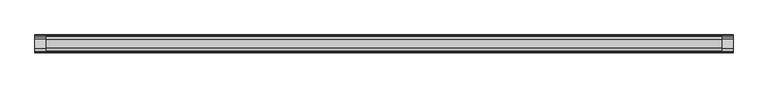
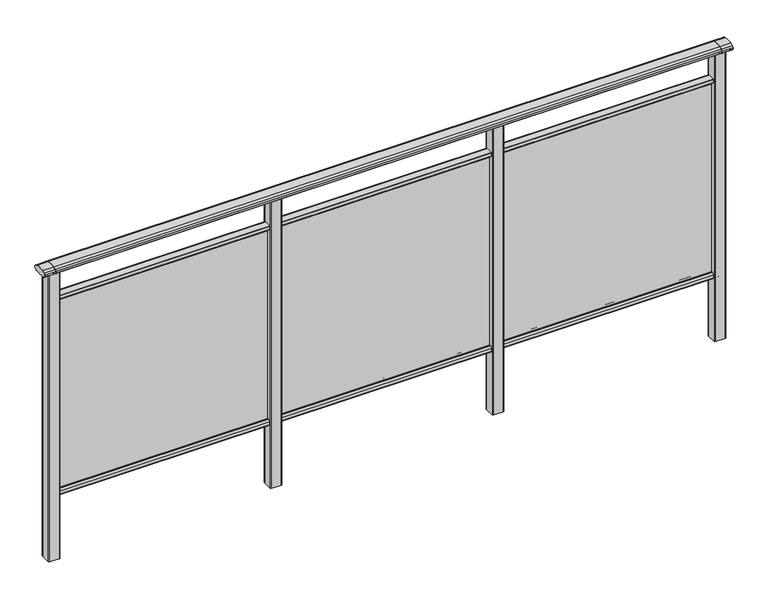
"""IFC4 building model written with IfcOpenShell, lengths in millimetres: railing geometry."""

from ifc_helpers import new_model, si_unit, point, frame, frame_2d, origin, place, context, project, spatial, polyline, circle_curve, trimmed, segment, composite_curve, outline, extrude, source, transform, mapped, element, save


def railing_b1e24724(model_context):
    return source(origin(), model_context, "Body", "SweptSolid", [
        extrude(outline(composite_curve([segment(trimmed(circle_curve(frame_2d((7270.3619413, 1153.851602)), 44.999996), [point((7281.0673858, 1197.5596459))], [point((7293.2601573, 1192.5901015))], False, "CARTESIAN"), True, "CONTINUOUS"), segment(trimmed(circle_curve(frame_2d((7284.6097194, 1177.955556)), 17.0), [point((7293.2601573, 1192.5901015))], [point((7299.1544589, 1186.7561556))], False, "CARTESIAN"), True, "CONTINUOUS"), segment(trimmed(circle_curve(frame_2d((7292.0959826, 1182.4852765)), 8.2499997), [point((7299.1544589, 1186.7561556))], [point((7299.1544535, 1178.2143885))], False, "CARTESIAN"), True, "CONTINUOUS"), segment(trimmed(circle_curve(frame_2d((7284.6097251, 1187.0150065)), 17.0), [point((7299.1544535, 1178.2143885))], [point((7293.2601665, 1172.380463))], False, "CARTESIAN"), True, "CONTINUOUS"), segment(trimmed(circle_curve(frame_2d((7270.3619413, 1211.1189571)), 44.999996), [point((7293.2601665, 1172.380463))], [point((7288.7876029, 1170.064181))], False, "CARTESIAN"), True, "CONTINUOUS"), segment(trimmed(circle_curve(frame_2d((7288.1786159, 1172.1635324)), 2.185896), [point((7288.7876029, 1170.064181))], [point((7287.9960148, 1169.9852766))], False, "CARTESIAN"), True, "CONTINUOUS"), segment(trimmed(circle_curve(frame_2d((7287.9960148, 1170.8852766)), 0.9), [point((7287.9960148, 1169.9852766))], [point((7287.0981091, 1170.8239135))], False, "CARTESIAN"), True, "CONTINUOUS"), segment(trimmed(circle_curve(frame_2d((7286.5194733, 1170.8239135)), 0.5786359), [point((7287.0981091, 1170.8239135))], [point((7286.5194733, 1170.2452777))], False, "CARTESIAN"), True, "CONTINUOUS"), segment(polyline([(7286.5194733, 1170.2452777), (7269.5751393, 1170.2452777)]), True, "CONTINUOUS"), segment(trimmed(circle_curve(frame_2d((7260.8508208, 1187.1238497)), 18.999998), [point((7269.5751393, 1170.2452777))], [point((7252.1265024, 1170.2452777))], False, "CARTESIAN"), True, "CONTINUOUS"), segment(polyline([(7252.1265024, 1170.2452777), (7235.1821348, 1170.2452777)]), True, "CONTINUOUS"), segment(trimmed(circle_curve(frame_2d((7235.1821348, 1170.8239135)), 0.5786359), [point((7235.1821348, 1170.2452777))], [point((7234.603499, 1170.8239135))], False, "CARTESIAN"), True, "CONTINUOUS"), segment(trimmed(circle_curve(frame_2d((7233.7055933, 1170.8852766)), 0.9), [point((7234.603499, 1170.8239135))], [point((7233.7055933, 1169.9852766))], False, "CARTESIAN"), True, "CONTINUOUS"), segment(trimmed(circle_curve(frame_2d((7233.5229922, 1172.1635324)), 2.185896), [point((7233.7055933, 1169.9852766))], [point((7232.9140052, 1170.064181))], False, "CARTESIAN"), True, "CONTINUOUS"), segment(trimmed(circle_curve(frame_2d((7251.3396668, 1211.1189571)), 44.999996), [point((7232.9140052, 1170.064181))], [point((7228.8767914, 1172.1264081))], False, "CARTESIAN"), True, "CONTINUOUS"), segment(trimmed(circle_curve(frame_2d((7237.082215, 1187.0150288)), 17.0), [point((7228.8767914, 1172.1264081))], [point((7222.5375128, 1178.2143675))], False, "CARTESIAN"), True, "CONTINUOUS"), segment(trimmed(circle_curve(frame_2d((7229.595971, 1182.4852765)), 8.2499997), [point((7222.5375128, 1178.2143675))], [point((7222.5375074, 1186.7561766))], False, "CARTESIAN"), True, "CONTINUOUS"), segment(trimmed(circle_curve(frame_2d((7237.0822207, 1177.9555337)), 17.0), [point((7222.5375074, 1186.7561766))], [point((7228.4317599, 1192.5900657))], False, "CARTESIAN"), True, "CONTINUOUS"), segment(trimmed(circle_curve(frame_2d((7251.3300365, 1153.851602)), 44.999996), [point((7228.4317599, 1192.5900657))], [point((7240.624592, 1197.5596459))], False, "CARTESIAN"), True, "CONTINUOUS"), segment(trimmed(circle_curve(frame_2d((7260.8459889, 1115.0000001)), 85.0), [point((7240.624592, 1197.5596459))], [point((7281.0673858, 1197.5596459))], False, "CARTESIAN"), True, "CONTINUOUS")], self_intersect=False)), frame((-428.6053075, 0.0, 0.0), z_axis=(1.0, 0.0, 0.0), x_axis=(0.0, 1.0, 0.0)), (0.0, 0.0, 1.0), 3000.0),
        extrude(outline(composite_curve([segment(polyline([(7276.5508136, 100.0), (7245.1507946, 100.0)]), True, "CONTINUOUS"), segment(trimmed(circle_curve(frame_2d((7245.1507946, 101.8)), 1.8), [point((7245.1507946, 100.0))], [point((7243.3507946, 101.8))], False, "CARTESIAN"), True, "CONTINUOUS"), segment(polyline([(7243.3507946, 101.8), (7243.3507946, 115.5269955)]), True, "CONTINUOUS"), segment(trimmed(circle_curve(frame_2d((7245.1507946, 115.5269955)), 1.8), [point((7243.3507946, 115.5269955))], [point((7243.7923399, 116.7079277))], False, "CARTESIAN"), True, "CONTINUOUS"), segment(polyline([(7243.7923399, 116.7079277), (7250.4626384, 124.3809322)]), True, "CONTINUOUS"), segment(trimmed(circle_curve(frame_2d((7251.8210931, 123.2)), 1.8), [point((7250.4626384, 124.3809322))], [point((7251.8210931, 125.0))], False, "CARTESIAN"), True, "CONTINUOUS"), segment(polyline([(7251.8210931, 125.0), (7255.5111113, 125.0), (7256.809143, 113.0), (7264.8924411, 113.0), (7266.1904978, 125.0), (7269.88054, 125.0)]), True, "CONTINUOUS"), segment(trimmed(circle_curve(frame_2d((7269.88054, 123.2)), 1.8), [point((7269.88054, 125.0))], [point((7271.2389969, 124.3809297))], False, "CARTESIAN"), True, "CONTINUOUS"), segment(polyline([(7271.2389969, 124.3809297), (7277.9092704, 116.7079252)]), True, "CONTINUOUS"), segment(trimmed(circle_curve(frame_2d((7276.5508136, 115.5269955)), 1.8), [point((7277.9092704, 116.7079252))], [point((7278.3508136, 115.5269955))], False, "CARTESIAN"), True, "CONTINUOUS"), segment(polyline([(7278.3508136, 115.5269955), (7278.3508136, 101.8)]), True, "CONTINUOUS"), segment(trimmed(circle_curve(frame_2d((7276.5508136, 101.8)), 1.8), [point((7278.3508136, 101.8))], [point((7276.5508136, 100.0))], False, "CARTESIAN"), True, "CONTINUOUS")], self_intersect=False)), frame((-428.6053075, 0.0, 0.0), z_axis=(1.0, 0.0, 0.0), x_axis=(0.0, 1.0, 0.0)), (0.0, 0.0, 1.0), 3000.0),
        extrude(outline(composite_curve([segment(polyline([(7245.1507946, 1050.0), (7276.5508136, 1050.0)]), True, "CONTINUOUS"), segment(trimmed(circle_curve(frame_2d((7276.5508136, 1048.2)), 1.8), [point((7276.5508136, 1050.0))], [point((7278.3508136, 1048.2))], False, "CARTESIAN"), True, "CONTINUOUS"), segment(polyline([(7278.3508136, 1048.2), (7278.3508136, 1034.4730045)]), True, "CONTINUOUS"), segment(trimmed(circle_curve(frame_2d((7276.5508136, 1034.4730045)), 1.8), [point((7278.3508136, 1034.4730045))], [point((7277.9092704, 1033.2920748))], False, "CARTESIAN"), True, "CONTINUOUS"), segment(polyline([(7277.9092704, 1033.2920748), (7271.2389969, 1025.6190703)]), True, "CONTINUOUS"), segment(trimmed(circle_curve(frame_2d((7269.88054, 1026.8)), 1.8), [point((7271.2389969, 1025.6190703))], [point((7269.88054, 1025.0))], False, "CARTESIAN"), True, "CONTINUOUS"), segment(polyline([(7269.88054, 1025.0), (7266.1904978, 1025.0), (7264.8924411, 1037.0), (7256.809143, 1037.0), (7255.5111113, 1025.0), (7251.8210931, 1025.0)]), True, "CONTINUOUS"), segment(trimmed(circle_curve(frame_2d((7251.8210931, 1026.8)), 1.8), [point((7251.8210931, 1025.0))], [point((7250.4626384, 1025.6190678))], False, "CARTESIAN"), True, "CONTINUOUS"), segment(polyline([(7250.4626384, 1025.6190678), (7243.7923399, 1033.2920723)]), True, "CONTINUOUS"), segment(trimmed(circle_curve(frame_2d((7245.1507946, 1034.4730045)), 1.8), [point((7243.7923399, 1033.2920723))], [point((7243.3507946, 1034.4730045))], False, "CARTESIAN"), True, "CONTINUOUS"), segment(polyline([(7243.3507946, 1034.4730045), (7243.3507946, 1048.2)]), True, "CONTINUOUS"), segment(trimmed(circle_curve(frame_2d((7245.1507946, 1048.2)), 1.8), [point((7243.3507946, 1048.2))], [point((7245.1507946, 1050.0))], False, "CARTESIAN"), True, "CONTINUOUS")], self_intersect=False)), frame((-428.6053075, 0.0, 0.0), z_axis=(1.0, 0.0, 0.0), x_axis=(0.0, 1.0, 0.0)), (0.0, 0.0, 1.0), 3000.0),
        extrude(outline(polyline([(-428.6053075, 7258.8508041), (-428.6053075, 7262.8508041), (2571.3946925, 7262.8508041), (2571.3946925, 7258.8508041), (-428.6053075, 7258.8508041)])), frame((0.0, 0.0, 100.0), z_axis=(0.0, 0.0, 1.0), x_axis=(1.0, 0.0, 0.0)), (0.0, 0.0, 1.0), 940.0),
        extrude(outline(composite_curve([segment(trimmed(circle_curve(frame_2d((1593.7947043, 7283.2508153)), 3.0), [point((1593.794704, 7286.2508153))], [point((1596.7947043, 7283.2508156))], False, "CARTESIAN"), True, "CONTINUOUS"), segment(polyline([(1596.7947043, 7283.2508156), (1596.7947083, 7238.4507926)]), True, "CONTINUOUS"), segment(trimmed(circle_curve(frame_2d((1593.7947083, 7238.4507923)), 3.0), [point((1596.7947083, 7238.4507926))], [point((1593.7947086, 7235.4507923))], False, "CARTESIAN"), True, "CONTINUOUS"), segment(polyline([(1593.7947086, 7235.4507923), (1548.9946856, 7235.4507883)]), True, "CONTINUOUS"), segment(trimmed(circle_curve(frame_2d((1548.9946853, 7238.4507883)), 3.0), [point((1548.9946856, 7235.4507883))], [point((1545.9946853, 7238.450788))], False, "CARTESIAN"), True, "CONTINUOUS"), segment(polyline([(1545.9946853, 7238.450788), (1545.9946813, 7283.250811)]), True, "CONTINUOUS"), segment(trimmed(circle_curve(frame_2d((1548.9946813, 7283.2508113)), 3.0), [point((1545.9946813, 7283.250811))], [point((1548.994681, 7286.2508113))], False, "CARTESIAN"), True, "CONTINUOUS"), segment(polyline([(1548.994681, 7286.2508113), (1593.794704, 7286.2508153)]), True, "CONTINUOUS")], self_intersect=False)), frame((0.0, 0.0, -198.0), z_axis=(0.0, 0.0, 1.0), x_axis=(1.0, 0.0, 0.0)), (0.0, 0.0, 1.0), 1366.1238517),
        extrude(outline(composite_curve([segment(trimmed(circle_curve(frame_2d((593.7947043, 7283.2508153)), 3.0), [point((593.794704, 7286.2508153))], [point((596.7947043, 7283.2508156))], False, "CARTESIAN"), True, "CONTINUOUS"), segment(polyline([(596.7947043, 7283.2508156), (596.7947083, 7238.4507926)]), True, "CONTINUOUS"), segment(trimmed(circle_curve(frame_2d((593.7947083, 7238.4507923)), 3.0), [point((596.7947083, 7238.4507926))], [point((593.7947086, 7235.4507923))], False, "CARTESIAN"), True, "CONTINUOUS"), segment(polyline([(593.7947086, 7235.4507923), (548.9946856, 7235.4507883)]), True, "CONTINUOUS"), segment(trimmed(circle_curve(frame_2d((548.9946853, 7238.4507883)), 3.0), [point((548.9946856, 7235.4507883))], [point((545.9946853, 7238.450788))], False, "CARTESIAN"), True, "CONTINUOUS"), segment(polyline([(545.9946853, 7238.450788), (545.9946813, 7283.250811)]), True, "CONTINUOUS"), segment(trimmed(circle_curve(frame_2d((548.9946813, 7283.2508113)), 3.0), [point((545.9946813, 7283.250811))], [point((548.994681, 7286.2508113))], False, "CARTESIAN"), True, "CONTINUOUS"), segment(polyline([(548.994681, 7286.2508113), (593.794704, 7286.2508153)]), True, "CONTINUOUS")], self_intersect=False)), frame((0.0, 0.0, -198.0), z_axis=(0.0, 0.0, 1.0), x_axis=(1.0, 0.0, 0.0)), (0.0, 0.0, 1.0), 1366.1238517),
        extrude(outline(composite_curve([segment(trimmed(circle_curve(frame_2d((2593.7947043, 7283.2508153)), 3.0), [point((2593.794704, 7286.2508153))], [point((2596.7947043, 7283.2508156))], False, "CARTESIAN"), True, "CONTINUOUS"), segment(polyline([(2596.7947043, 7283.2508156), (2596.7947083, 7238.4507926)]), True, "CONTINUOUS"), segment(trimmed(circle_curve(frame_2d((2593.7947083, 7238.4507923)), 3.0), [point((2596.7947083, 7238.4507926))], [point((2593.7947086, 7235.4507923))], False, "CARTESIAN"), True, "CONTINUOUS"), segment(polyline([(2593.7947086, 7235.4507923), (2548.9946856, 7235.4507883)]), True, "CONTINUOUS"), segment(trimmed(circle_curve(frame_2d((2548.9946853, 7238.4507883)), 3.0), [point((2548.9946856, 7235.4507883))], [point((2545.9946853, 7238.450788))], False, "CARTESIAN"), True, "CONTINUOUS"), segment(polyline([(2545.9946853, 7238.450788), (2545.9946813, 7283.250811)]), True, "CONTINUOUS"), segment(trimmed(circle_curve(frame_2d((2548.9946813, 7283.2508113)), 3.0), [point((2545.9946813, 7283.250811))], [point((2548.994681, 7286.2508113))], False, "CARTESIAN"), True, "CONTINUOUS"), segment(polyline([(2548.994681, 7286.2508113), (2593.794704, 7286.2508153)]), True, "CONTINUOUS")], self_intersect=False)), frame((0.0, 0.0, -198.0), z_axis=(0.0, 0.0, 1.0), x_axis=(1.0, 0.0, 0.0)), (0.0, 0.0, 1.0), 1366.1238517),
        extrude(outline(composite_curve([segment(trimmed(circle_curve(frame_2d((7270.3619413, 1153.851602)), 44.999996), [point((7281.0673858, 1197.5596459))], [point((7293.2601573, 1192.5901015))], False, "CARTESIAN"), True, "CONTINUOUS"), segment(trimmed(circle_curve(frame_2d((7284.6097194, 1177.955556)), 17.0), [point((7293.2601573, 1192.5901015))], [point((7299.1544589, 1186.7561556))], False, "CARTESIAN"), True, "CONTINUOUS"), segment(trimmed(circle_curve(frame_2d((7292.0959826, 1182.4852765)), 8.2499997), [point((7299.1544589, 1186.7561556))], [point((7299.1544535, 1178.2143885))], False, "CARTESIAN"), True, "CONTINUOUS"), segment(trimmed(circle_curve(frame_2d((7284.6097251, 1187.0150065)), 17.0), [point((7299.1544535, 1178.2143885))], [point((7293.2601665, 1172.380463))], False, "CARTESIAN"), True, "CONTINUOUS"), segment(trimmed(circle_curve(frame_2d((7270.3619413, 1211.1189571)), 44.999996), [point((7293.2601665, 1172.380463))], [point((7288.7876029, 1170.064181))], False, "CARTESIAN"), True, "CONTINUOUS"), segment(trimmed(circle_curve(frame_2d((7288.1786159, 1172.1635324)), 2.185896), [point((7288.7876029, 1170.064181))], [point((7287.9960148, 1169.9852766))], False, "CARTESIAN"), True, "CONTINUOUS"), segment(trimmed(circle_curve(frame_2d((7287.9960148, 1170.8852766)), 0.9), [point((7287.9960148, 1169.9852766))], [point((7287.0981091, 1170.8239135))], False, "CARTESIAN"), True, "CONTINUOUS"), segment(trimmed(circle_curve(frame_2d((7286.5194733, 1170.8239135)), 0.5786359), [point((7287.0981091, 1170.8239135))], [point((7286.5194733, 1170.2452777))], False, "CARTESIAN"), True, "CONTINUOUS"), segment(polyline([(7286.5194733, 1170.2452777), (7269.5751393, 1170.2452777)]), True, "CONTINUOUS"), segment(trimmed(circle_curve(frame_2d((7260.8508208, 1187.1238497)), 18.999998), [point((7269.5751393, 1170.2452777))], [point((7252.1265024, 1170.2452777))], False, "CARTESIAN"), True, "CONTINUOUS"), segment(polyline([(7252.1265024, 1170.2452777), (7235.1821348, 1170.2452777)]), True, "CONTINUOUS"), segment(trimmed(circle_curve(frame_2d((7235.1821348, 1170.8239135)), 0.5786359), [point((7235.1821348, 1170.2452777))], [point((7234.603499, 1170.8239135))], False, "CARTESIAN"), True, "CONTINUOUS"), segment(trimmed(circle_curve(frame_2d((7233.7055933, 1170.8852766)), 0.9), [point((7234.603499, 1170.8239135))], [point((7233.7055933, 1169.9852766))], False, "CARTESIAN"), True, "CONTINUOUS"), segment(trimmed(circle_curve(frame_2d((7233.5229922, 1172.1635324)), 2.185896), [point((7233.7055933, 1169.9852766))], [point((7232.9140052, 1170.064181))], False, "CARTESIAN"), True, "CONTINUOUS"), segment(trimmed(circle_curve(frame_2d((7251.3396668, 1211.1189571)), 44.999996), [point((7232.9140052, 1170.064181))], [point((7228.8767914, 1172.1264081))], False, "CARTESIAN"), True, "CONTINUOUS"), segment(trimmed(circle_curve(frame_2d((7237.082215, 1187.0150288)), 17.0), [point((7228.8767914, 1172.1264081))], [point((7222.5375128, 1178.2143675))], False, "CARTESIAN"), True, "CONTINUOUS"), segment(trimmed(circle_curve(frame_2d((7229.595971, 1182.4852765)), 8.2499997), [point((7222.5375128, 1178.2143675))], [point((7222.5375074, 1186.7561766))], False, "CARTESIAN"), True, "CONTINUOUS"), segment(trimmed(circle_curve(frame_2d((7237.0822207, 1177.9555337)), 17.0), [point((7222.5375074, 1186.7561766))], [point((7228.4317599, 1192.5900657))], False, "CARTESIAN"), True, "CONTINUOUS"), segment(trimmed(circle_curve(frame_2d((7251.3300365, 1153.851602)), 44.999996), [point((7228.4317599, 1192.5900657))], [point((7240.624592, 1197.5596459))], False, "CARTESIAN"), True, "CONTINUOUS"), segment(trimmed(circle_curve(frame_2d((7260.8459889, 1115.0000001)), 85.0), [point((7240.624592, 1197.5596459))], [point((7281.0673858, 1197.5596459))], False, "CARTESIAN"), True, "CONTINUOUS")], self_intersect=False)), frame((2571.3946838, 0.0, 0.0), z_axis=(1.0, 0.0, 0.0), x_axis=(0.0, 1.0, 0.0)), (0.0, 0.0, 1.0), 50.0),
        extrude(outline(composite_curve([segment(trimmed(circle_curve(frame_2d((-406.2052957, 7283.2508153)), 3.0), [point((-406.205296, 7286.2508153))], [point((-403.2052957, 7283.2508156))], False, "CARTESIAN"), True, "CONTINUOUS"), segment(polyline([(-403.2052957, 7283.2508156), (-403.2052917, 7238.4507926)]), True, "CONTINUOUS"), segment(trimmed(circle_curve(frame_2d((-406.2052917, 7238.4507923)), 3.0), [point((-403.2052917, 7238.4507926))], [point((-406.2052914, 7235.4507923))], False, "CARTESIAN"), True, "CONTINUOUS"), segment(polyline([(-406.2052914, 7235.4507923), (-451.0053144, 7235.4507883)]), True, "CONTINUOUS"), segment(trimmed(circle_curve(frame_2d((-451.0053147, 7238.4507883)), 3.0), [point((-451.0053144, 7235.4507883))], [point((-454.0053147, 7238.450788))], False, "CARTESIAN"), True, "CONTINUOUS"), segment(polyline([(-454.0053147, 7238.450788), (-454.0053187, 7283.250811)]), True, "CONTINUOUS"), segment(trimmed(circle_curve(frame_2d((-451.0053187, 7283.2508113)), 3.0), [point((-454.0053187, 7283.250811))], [point((-451.005319, 7286.2508113))], False, "CARTESIAN"), True, "CONTINUOUS"), segment(polyline([(-451.005319, 7286.2508113), (-406.205296, 7286.2508153)]), True, "CONTINUOUS")], self_intersect=False)), frame((0.0, 0.0, -198.0), z_axis=(0.0, 0.0, 1.0), x_axis=(1.0, 0.0, 0.0)), (0.0, 0.0, 1.0), 1366.1238517),
        extrude(outline(composite_curve([segment(trimmed(circle_curve(frame_2d((7270.3619413, 1153.851602)), 44.999996), [point((7281.0673858, 1197.5596459))], [point((7293.2601573, 1192.5901015))], False, "CARTESIAN"), True, "CONTINUOUS"), segment(trimmed(circle_curve(frame_2d((7284.6097194, 1177.955556)), 17.0), [point((7293.2601573, 1192.5901015))], [point((7299.1544589, 1186.7561556))], False, "CARTESIAN"), True, "CONTINUOUS"), segment(trimmed(circle_curve(frame_2d((7292.0959826, 1182.4852765)), 8.2499997), [point((7299.1544589, 1186.7561556))], [point((7299.1544535, 1178.2143885))], False, "CARTESIAN"), True, "CONTINUOUS"), segment(trimmed(circle_curve(frame_2d((7284.6097251, 1187.0150065)), 17.0), [point((7299.1544535, 1178.2143885))], [point((7293.2601665, 1172.380463))], False, "CARTESIAN"), True, "CONTINUOUS"), segment(trimmed(circle_curve(frame_2d((7270.3619413, 1211.1189571)), 44.999996), [point((7293.2601665, 1172.380463))], [point((7288.7876029, 1170.064181))], False, "CARTESIAN"), True, "CONTINUOUS"), segment(trimmed(circle_curve(frame_2d((7288.1786159, 1172.1635324)), 2.185896), [point((7288.7876029, 1170.064181))], [point((7287.9960148, 1169.9852766))], False, "CARTESIAN"), True, "CONTINUOUS"), segment(trimmed(circle_curve(frame_2d((7287.9960148, 1170.8852766)), 0.9), [point((7287.9960148, 1169.9852766))], [point((7287.0981091, 1170.8239135))], False, "CARTESIAN"), True, "CONTINUOUS"), segment(trimmed(circle_curve(frame_2d((7286.5194733, 1170.8239135)), 0.5786359), [point((7287.0981091, 1170.8239135))], [point((7286.5194733, 1170.2452777))], False, "CARTESIAN"), True, "CONTINUOUS"), segment(polyline([(7286.5194733, 1170.2452777), (7269.5751393, 1170.2452777)]), True, "CONTINUOUS"), segment(trimmed(circle_curve(frame_2d((7260.8508208, 1187.1238497)), 18.999998), [point((7269.5751393, 1170.2452777))], [point((7252.1265024, 1170.2452777))], False, "CARTESIAN"), True, "CONTINUOUS"), segment(polyline([(7252.1265024, 1170.2452777), (7235.1821348, 1170.2452777)]), True, "CONTINUOUS"), segment(trimmed(circle_curve(frame_2d((7235.1821348, 1170.8239135)), 0.5786359), [point((7235.1821348, 1170.2452777))], [point((7234.603499, 1170.8239135))], False, "CARTESIAN"), True, "CONTINUOUS"), segment(trimmed(circle_curve(frame_2d((7233.7055933, 1170.8852766)), 0.9), [point((7234.603499, 1170.8239135))], [point((7233.7055933, 1169.9852766))], False, "CARTESIAN"), True, "CONTINUOUS"), segment(trimmed(circle_curve(frame_2d((7233.5229922, 1172.1635324)), 2.185896), [point((7233.7055933, 1169.9852766))], [point((7232.9140052, 1170.064181))], False, "CARTESIAN"), True, "CONTINUOUS"), segment(trimmed(circle_curve(frame_2d((7251.3396668, 1211.1189571)), 44.999996), [point((7232.9140052, 1170.064181))], [point((7228.8767914, 1172.1264081))], False, "CARTESIAN"), True, "CONTINUOUS"), segment(trimmed(circle_curve(frame_2d((7237.082215, 1187.0150288)), 17.0), [point((7228.8767914, 1172.1264081))], [point((7222.5375128, 1178.2143675))], False, "CARTESIAN"), True, "CONTINUOUS"), segment(trimmed(circle_curve(frame_2d((7229.595971, 1182.4852765)), 8.2499997), [point((7222.5375128, 1178.2143675))], [point((7222.5375074, 1186.7561766))], False, "CARTESIAN"), True, "CONTINUOUS"), segment(trimmed(circle_curve(frame_2d((7237.0822207, 1177.9555337)), 17.0), [point((7222.5375074, 1186.7561766))], [point((7228.4317599, 1192.5900657))], False, "CARTESIAN"), True, "CONTINUOUS"), segment(trimmed(circle_curve(frame_2d((7251.3300365, 1153.851602)), 44.999996), [point((7228.4317599, 1192.5900657))], [point((7240.624592, 1197.5596459))], False, "CARTESIAN"), True, "CONTINUOUS"), segment(trimmed(circle_curve(frame_2d((7260.8459889, 1115.0000001)), 85.0), [point((7240.624592, 1197.5596459))], [point((7281.0673858, 1197.5596459))], False, "CARTESIAN"), True, "CONTINUOUS")], self_intersect=False)), frame((-478.6053162, 0.0, 0.0), z_axis=(1.0, 0.0, 0.0), x_axis=(0.0, 1.0, 0.0)), (0.0, 0.0, 1.0), 50.0),
    ])


if __name__ == "__main__":
    model = new_model("IFC4")
    model_context = context("Model", 3, world=origin())
    ifc_project = project(units=[si_unit("LENGTHUNIT", "METRE", prefix="MILLI")], contexts=[model_context])
    site = spatial("IfcSite", under=ifc_project)
    building = spatial("IfcBuilding", under=site)
    placement = place(None, origin())
    railing_shape = railing_b1e24724(model_context)
    element("IfcRailing", 1, at=placement, inside=building, context=model_context, shape_type="MappedRepresentation", body=[
        mapped(railing_shape, transform((0.0, 0.0, 0.0), x_axis=(1.0, 0.0, 0.0), y_axis=(0.0, 1.0, 0.0), z_axis=(0.0, 0.0, 1.0))),
    ])
    save(model, "model.ifc")
